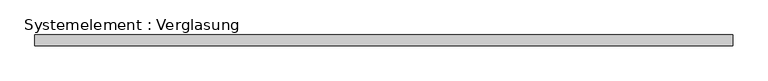
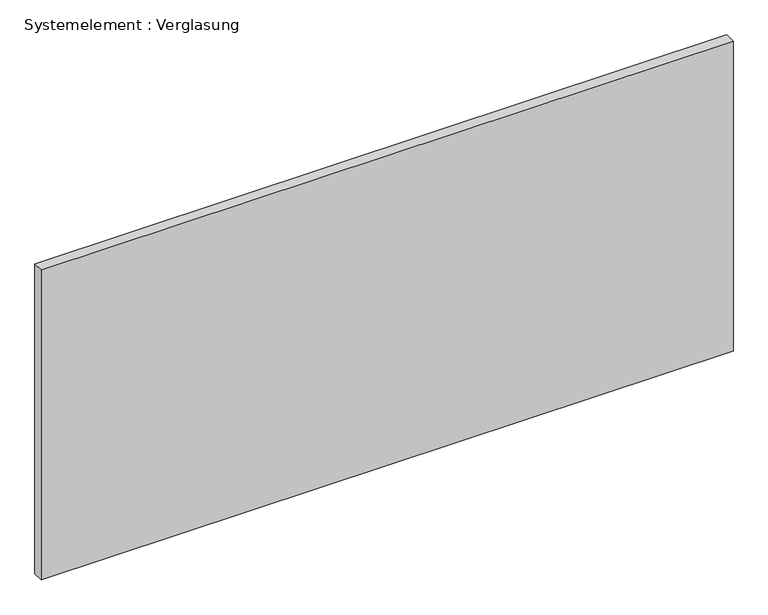
"""IFC4 building model written with IfcOpenShell, lengths in millimetres: plate geometry, Systemelement : Verglasung."""

from ifc_helpers import new_model, si_unit, origin, origin_with_axes, place, context, project, spatial, polyline, outline, extrude, source, transform, mapped, element, save


def systemelement_verglasung_d49be79c(model_context):
    return source(origin(), model_context, "Body", "SweptSolid", [
        extrude(outline(polyline([(960.4166667, -15.0), (-960.4166667, -15.0), (-960.4166667, 15.0), (960.4166667, 15.0), (960.4166667, -15.0)])), origin_with_axes(), (0.0, 0.0, 1.0), 910.0),
    ])


if __name__ == "__main__":
    model = new_model("IFC4")
    model_context = context("Model", 3, world=origin())
    ifc_project = project(units=[si_unit("LENGTHUNIT", "METRE", prefix="MILLI")], contexts=[model_context])
    site = spatial("IfcSite", under=ifc_project)
    building = spatial("IfcBuilding", under=site)
    placement = place(None, origin())
    systemelement_verglasung_shape = systemelement_verglasung_d49be79c(model_context)
    element("IfcPlate", 1, ObjectType="Systemelement : Verglasung", at=placement, inside=building, context=model_context, shape_type="MappedRepresentation", body=[
        mapped(systemelement_verglasung_shape, transform((0.0, 0.0, 0.0), x_axis=(1.0, 0.0, 0.0), y_axis=(0.0, 1.0, 0.0), z_axis=(0.0, 0.0, 1.0))),
    ])
    save(model, "model.ifc")
